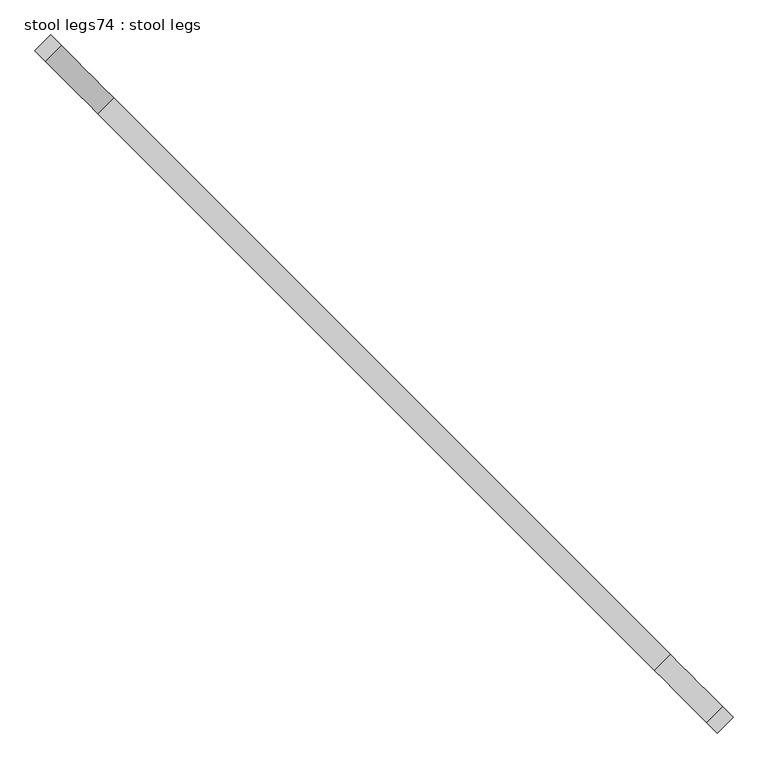
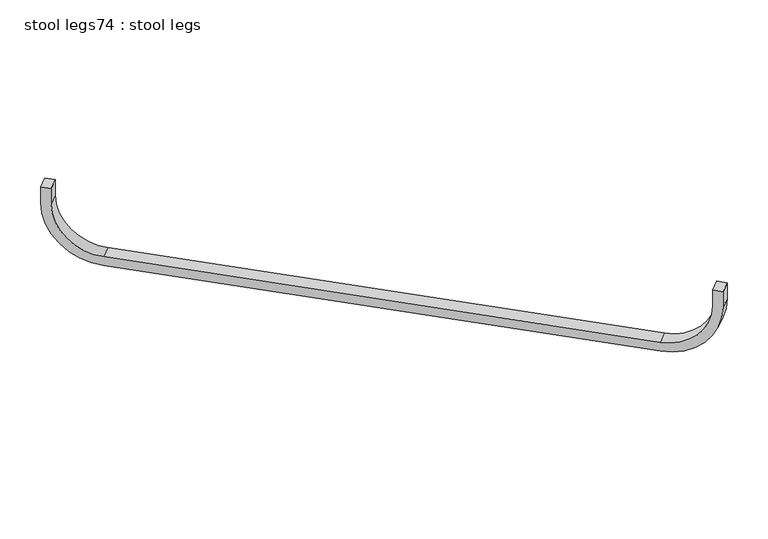
"""IFC4 building model written with IfcOpenShell, lengths in millimetres: furniture geometry, stool legs74 : stool legs."""

from ifc_helpers import new_model, si_unit, point, frame, frame_2d, origin, place, context, project, spatial, polyline, circle_curve, trimmed, segment, composite_curve, outline, extrude, source, transform, mapped, element, save


def stool_legs74_stool_legs_1f1e82c7(model_context):
    return source(origin(), model_context, "Body", "SweptSolid", [
        extrude(outline(composite_curve([segment(polyline([(0.0, 254.0), (-44.45, 254.0), (-44.45, 279.4), (0.0, 279.4)]), True, "CONTINUOUS"), segment(trimmed(circle_curve(frame_2d((0.0, 127.0)), 152.4), [point((0.0, 279.4))], [point((152.4, 127.0))], False, "CARTESIAN"), True, "CONTINUOUS"), segment(polyline([(152.4, 127.0), (152.4, -1219.2)]), True, "CONTINUOUS"), segment(trimmed(circle_curve(frame_2d((0.0, -1219.2)), 152.4), [point((152.4, -1219.2))], [point((0.0, -1371.6))], False, "CARTESIAN"), True, "CONTINUOUS"), segment(polyline([(0.0, -1371.6), (-44.45, -1371.6), (-44.45, -1346.2), (0.0, -1346.2)]), True, "CONTINUOUS"), segment(trimmed(circle_curve(frame_2d((0.0, -1219.2)), 127.0), [point((0.0, -1346.2))], [point((127.0, -1219.2))], True, "CARTESIAN"), True, "CONTINUOUS"), segment(polyline([(127.0, -1219.2), (127.0, 127.0)]), True, "CONTINUOUS"), segment(trimmed(circle_curve(frame_2d((0.0, 127.0)), 127.0), [point((127.0, 127.0))], [point((0.0, 254.0))], True, "CARTESIAN"), True, "CONTINUOUS")], self_intersect=False)), frame((-120319.4768761, -38342.0215099, 412.75), z_axis=(0.7071067811865763, 0.7071067811865187, 0.0), x_axis=(0.0, 0.0, -1.0)), (0.0, 0.0, 1.0), 38.1),
    ])


if __name__ == "__main__":
    model = new_model("IFC4")
    model_context = context("Model", 3, world=origin())
    ifc_project = project(units=[si_unit("LENGTHUNIT", "METRE", prefix="MILLI")], contexts=[model_context])
    site = spatial("IfcSite", under=ifc_project)
    building = spatial("IfcBuilding", under=site)
    placement = place(None, origin())
    stool_legs74_stool_legs_shape = stool_legs74_stool_legs_1f1e82c7(model_context)
    element("IfcFurniture", 1, ObjectType="stool legs74 : stool legs", at=placement, inside=building, context=model_context, shape_type="MappedRepresentation", body=[
        mapped(stool_legs74_stool_legs_shape, transform((0.0, 0.0, 0.0), x_axis=(1.0, 0.0, 0.0), y_axis=(0.0, 1.0, 0.0), z_axis=(0.0, 0.0, 1.0))),
    ])
    save(model, "model.ifc")
